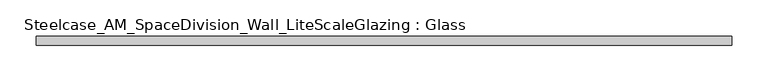
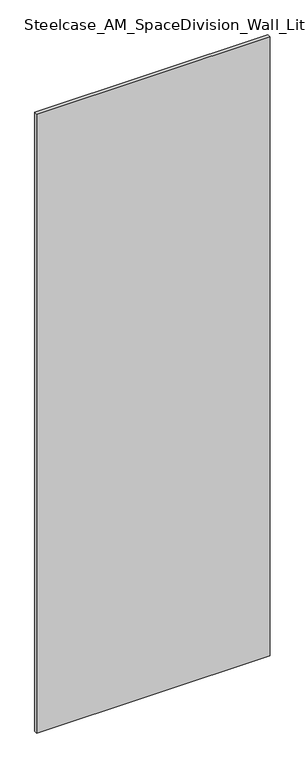
"""IFC4 building model written with IfcOpenShell, lengths in millimetres: plate geometry, Steelcase_AM_SpaceDivision_Wall_LiteScaleGlazing : Glass."""

import ifcopenshell
import ifcopenshell.guid

model = None  # the IFC model being written
_history = None  # IfcOwnerHistory: only IFC2X3 demands one
_inside = {}  # id of a spatial element -> (the spatial element, [elements in it])
_under = {}  # id of a project, library or spatial element -> (it, [spatial elements below it])
_declared = {}  # id of a project -> (the project, [libraries it declares])
_typed = {}  # id of a type object -> (the type object, [elements of that type])
_made_of = {}  # id of a material, layer set ... -> (it, [elements and type objects made of it])


def new_model(schema):
    """Start an empty IFC model of exactly this schema.

    Asked for "IFC4X3", IfcOpenShell would pick the latest addendum, in which some entities
    have other attributes; the version numbers below select the first issue.
    IFC2X3 requires an IfcOwnerHistory on every rooted entity: one is made here for all.
    """
    global model, _history
    if schema == "IFC4X3":
        model = ifcopenshell.file(schema_version=(4, 3, 0, 0))
    else:
        model = ifcopenshell.file(schema=schema)
    _inside.clear()
    _under.clear()
    _declared.clear()
    _typed.clear()
    _made_of.clear()
    _history = None
    if model.schema == "IFC2X3":
        org = make("IfcOrganization", Name="unknown")
        user = make(
            "IfcPersonAndOrganization",
            ThePerson=make("IfcPerson", FamilyName="unknown"),
            TheOrganization=org,
        )
        app = make(
            "IfcApplication",
            ApplicationDeveloper=org,
            Version="unknown",
            ApplicationFullName="unknown",
            ApplicationIdentifier="unknown",
        )
        _history = make(
            "IfcOwnerHistory",
            OwningUser=user,
            OwningApplication=app,
            ChangeAction="ADDED",
            CreationDate=0,
        )
    return model


def make(cls, **values):
    """One entity of the class cls with the attributes given. An attribute that is None is left unset."""
    return model.create_entity(
        cls, **{name: value for name, value in values.items() if value is not None}
    )


def rooted(cls, **values):
    """An entity with a GlobalId (a new one), such as an element, a storey or a relation."""
    return make(cls, GlobalId=ifcopenshell.guid.new(), OwnerHistory=_history, **values)


def si_unit(unit_type, name, prefix=None):
    """IfcSIUnit, for example si_unit("LENGTHUNIT", "METRE", prefix="MILLI")."""
    return make("IfcSIUnit", UnitType=unit_type, Prefix=prefix, Name=name)


def assignment(units):
    """IfcUnitAssignment: the units of a project."""
    return None if units is None else make("IfcUnitAssignment", Units=units)


def point(xyz):
    """IfcCartesianPoint."""
    return None if xyz is None else make("IfcCartesianPoint", Coordinates=xyz)


def direction(xyz):
    """IfcDirection."""
    return None if xyz is None else make("IfcDirection", DirectionRatios=xyz)


def frame(location, z_axis=None, x_axis=None):
    """IfcAxis2Placement3D, a coordinate frame: its origin and axes. An axis left out is left unset."""
    return make(
        "IfcAxis2Placement3D",
        Location=point(location),
        Axis=direction(z_axis),
        RefDirection=direction(x_axis),
    )


def origin():
    """The frame at (0, 0, 0) with its axes left unset."""
    return frame((0.0, 0.0, 0.0))


def origin_with_axes():
    """The frame at (0, 0, 0) with the z axis (0, 0, 1) and the x axis (1, 0, 0) written out."""
    return frame((0.0, 0.0, 0.0), z_axis=(0.0, 0.0, 1.0), x_axis=(1.0, 0.0, 0.0))


def place(relative_to, where):
    """IfcLocalPlacement: puts the frame where relative to a parent placement (None: the world)."""
    return make(
        "IfcLocalPlacement", PlacementRelTo=relative_to, RelativePlacement=where
    )


def context(
    kind, dimensions, precision=None, world=None, true_north=None, identifier=None
):
    """IfcGeometricRepresentationContext, for example the 3D "Model" context."""
    return make(
        "IfcGeometricRepresentationContext",
        ContextIdentifier=identifier,
        ContextType=kind,
        CoordinateSpaceDimension=dimensions,
        Precision=precision,
        WorldCoordinateSystem=world,
        TrueNorth=true_north,
    )


def project(units=None, contexts=None):
    """IfcProject with its units and contexts."""
    return rooted(
        "IfcProject",
        Name="project",
        RepresentationContexts=contexts,
        UnitsInContext=assignment(units),
    )


def spatial(cls, under=None, at=None, **own):
    """A site, building, storey or space (cls), placed at a placement, below another one or the project."""
    s = rooted(cls, ObjectPlacement=at, **own)
    if under is not None:
        _under.setdefault(under.id(), (under, []))[1].append(s)
    return s


def polyline(points):
    """IfcPolyline through the points."""
    return make("IfcPolyline", Points=[point(p) for p in points])


def outline(outer, holes=None, kind="AREA"):
    """IfcArbitraryClosedProfileDef: a profile drawn as a closed curve; with holes, ...WithVoids."""
    if holes is None:
        return make("IfcArbitraryClosedProfileDef", ProfileType=kind, OuterCurve=outer)
    return make(
        "IfcArbitraryProfileDefWithVoids",
        ProfileType=kind,
        OuterCurve=outer,
        InnerCurves=holes,
    )


def extrude(swept, where, along, depth):
    """IfcExtrudedAreaSolid: the profile swept, set in the frame where, extruded along a direction by depth."""
    return make(
        "IfcExtrudedAreaSolid",
        SweptArea=swept,
        Position=where,
        ExtrudedDirection=direction(along),
        Depth=depth,
    )


def shape(context_of_items, identifier, shape_type, items):
    """IfcShapeRepresentation: the items that make up one representation, for example the "Body"."""
    return make(
        "IfcShapeRepresentation",
        ContextOfItems=context_of_items,
        RepresentationIdentifier=identifier,
        RepresentationType=shape_type,
        Items=items,
    )


def source(mapping_origin, context_of_items, identifier, shape_type, items):
    """IfcRepresentationMap: a shape defined once, which mapped items show again and again."""
    return make(
        "IfcRepresentationMap",
        MappingOrigin=mapping_origin,
        MappedRepresentation=shape(context_of_items, identifier, shape_type, items),
    )


def transform(
    local_origin,
    x_axis=None,
    y_axis=None,
    z_axis=None,
    scale=None,
    scale2=None,
    scale3=None,
    uniform=True,
):
    """IfcCartesianTransformationOperator3D, or its non-uniform kind. x_axis, y_axis, z_axis: its Axis1, 2, 3."""
    if uniform:
        return make(
            "IfcCartesianTransformationOperator3D",
            Axis1=direction(x_axis),
            Axis2=direction(y_axis),
            LocalOrigin=point(local_origin),
            Scale=scale,
            Axis3=direction(z_axis),
        )
    return make(
        "IfcCartesianTransformationOperator3DnonUniform",
        Axis1=direction(x_axis),
        Axis2=direction(y_axis),
        LocalOrigin=point(local_origin),
        Scale=scale,
        Axis3=direction(z_axis),
        Scale2=scale2,
        Scale3=scale3,
    )


def mapped(mapping_source, mapping_target):
    """IfcMappedItem: shows the shape of a source again, moved by a transform."""
    return make(
        "IfcMappedItem", MappingSource=mapping_source, MappingTarget=mapping_target
    )


def made_of(thing, what):
    """Note that an element or type object is made of a material, layer set ...; save() writes the relation."""
    if what is not None:
        _made_of.setdefault(what.id(), (what, []))[1].append(thing)
    return thing


def element(
    cls,
    number,
    at=None,
    inside=None,
    cuts=None,
    type_object=None,
    material=None,
    context=None,
    identifier="Body",
    shape_type=None,
    held_by="IfcProductDefinitionShape",
    body=None,
    shapes=None,
    **own,
):
    """One element of the class cls, such as IfcWall. Its Tag is "e" and its number.

    at: its placement. inside: the storey or other place that contains it. cuts: it is an
    opening in that element (IfcRelVoidsElement). A single representation is given by context,
    identifier, shape_type and body (its items); several are given by shapes. held_by: the class
    of the entity that holds the representations. save() writes the other relations.
    """
    e = rooted(cls, Tag="e%d" % number, ObjectPlacement=at, **own)
    if body is not None:
        shapes = [shape(context, identifier, shape_type, body)]
    if shapes is not None:
        e.Representation = make(held_by, Representations=shapes)
    if inside is not None:
        _inside.setdefault(inside.id(), (inside, []))[1].append(e)
    if cuts is not None:
        rooted(
            "IfcRelVoidsElement", RelatingBuildingElement=cuts, RelatedOpeningElement=e
        )
    if type_object is not None:
        _typed.setdefault(type_object.id(), (type_object, []))[1].append(e)
    return made_of(e, material)


def aggregate(whole, parts):
    """IfcRelAggregates: a whole, such as a stair, and the parts it consists of."""
    return rooted("IfcRelAggregates", RelatingObject=whole, RelatedObjects=parts)


def save(model, path):
    """Write the relations noted so far, then the file.

    IfcRelAggregates (storeys below a building ...), IfcRelContainedInSpatialStructure (elements
    in a storey), IfcRelDefinesByType, IfcRelAssociatesMaterial and IfcRelDeclares: one each for
    every whole, place, type object, material and project.
    """
    for whole, parts in _under.values():
        aggregate(whole, parts)
    for where, things in _inside.values():
        rooted(
            "IfcRelContainedInSpatialStructure",
            RelatedElements=things,
            RelatingStructure=where,
        )
    for kind, things in _typed.values():
        rooted("IfcRelDefinesByType", RelatedObjects=things, RelatingType=kind)
    for what, things in _made_of.values():
        rooted("IfcRelAssociatesMaterial", RelatedObjects=things, RelatingMaterial=what)
    for by, libraries in _declared.values():
        rooted("IfcRelDeclares", RelatingContext=by, RelatedDefinitions=libraries)
    model.write(path)


def steelcase_am_spacedivision_wall_litescaleglazing_glass_0bf0e7c9(model_context):
    return source(origin(), model_context, "Body", "SweptSolid", [
        extrude(outline(polyline([(-480.568, -6.349956), (-480.568, 6.3502015), (480.568, 6.3502015), (480.568, -6.349956), (-480.568, -6.349956)])), origin_with_axes(), (0.0, 0.0, 1.0), 2693.924),
    ])


if __name__ == "__main__":
    model = new_model("IFC4")
    model_context = context("Model", 3, world=origin())
    ifc_project = project(units=[si_unit("LENGTHUNIT", "METRE", prefix="MILLI")], contexts=[model_context])
    site = spatial("IfcSite", under=ifc_project)
    building = spatial("IfcBuilding", under=site)
    placement = place(None, origin())
    steelcase_am_spacedivision_wall_litescaleglazing_glass_shape = steelcase_am_spacedivision_wall_litescaleglazing_glass_0bf0e7c9(model_context)
    element("IfcPlate", 1, ObjectType="Steelcase_AM_SpaceDivision_Wall_LiteScaleGlazing : Glass", at=placement, inside=building, context=model_context, shape_type="MappedRepresentation", body=[
        mapped(steelcase_am_spacedivision_wall_litescaleglazing_glass_shape, transform((0.0, 0.0, 0.0), x_axis=(1.0, 0.0, 0.0), y_axis=(0.0, 1.0, 0.0), z_axis=(0.0, 0.0, 1.0))),
    ])
    save(model, "model.ifc")
